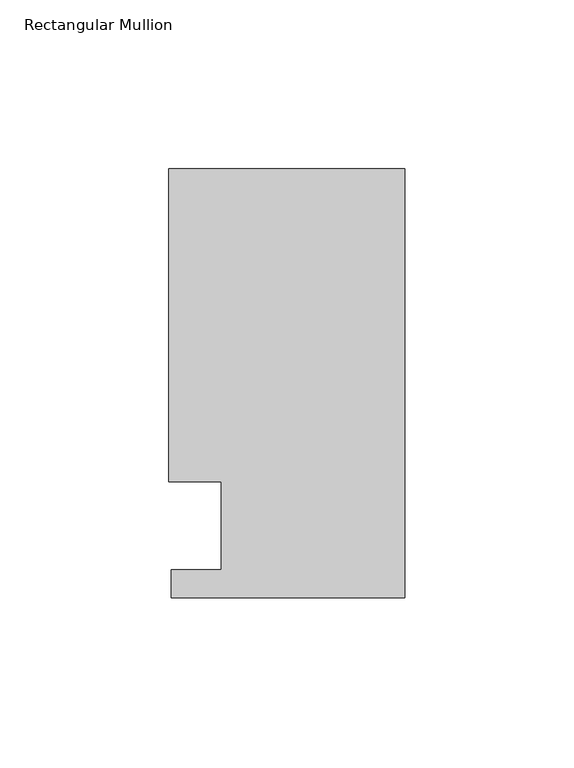
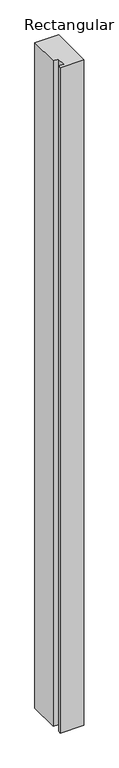
"""IFC4 building model written with IfcOpenShell, lengths in millimetres: member geometry, Rectangular Mullion."""

from ifc_helpers import new_model, si_unit, frame, origin, place, context, project, spatial, polyline, outline, extrude, source, transform, mapped, element, save


def rectangular_mullion_266f6bd4(model_context):
    return source(origin(), model_context, "Body", "SweptSolid", [
        extrude(outline(polyline([(0.0, 126.9888875), (0.0, -0.0111125), (-69.088, -0.0111125), (-69.088, 8.3454875), (-54.403625, 8.3454875), (-54.403625, 34.3296875), (-69.85, 34.3296875), (-69.85, 126.9888875), (0.0, 126.9888875)])), frame((0.0, 0.0, -2063.75), z_axis=(0.0, 0.0, 1.0), x_axis=(1.0, 0.0, 0.0)), (0.0, 0.0, 1.0), 2063.75),
    ])


if __name__ == "__main__":
    model = new_model("IFC4")
    model_context = context("Model", 3, world=origin())
    ifc_project = project(units=[si_unit("LENGTHUNIT", "METRE", prefix="MILLI")], contexts=[model_context])
    site = spatial("IfcSite", under=ifc_project)
    building = spatial("IfcBuilding", under=site)
    placement = place(None, origin())
    rectangular_mullion_shape = rectangular_mullion_266f6bd4(model_context)
    element("IfcMember", 1, ObjectType="Rectangular Mullion", at=placement, inside=building, context=model_context, shape_type="MappedRepresentation", body=[
        mapped(rectangular_mullion_shape, transform((0.0, 0.0, 0.0), x_axis=(1.0, 0.0, 0.0), y_axis=(0.0, 1.0, 0.0), z_axis=(0.0, 0.0, 1.0))),
    ])
    save(model, "model.ifc")
